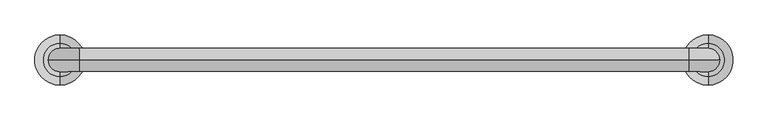
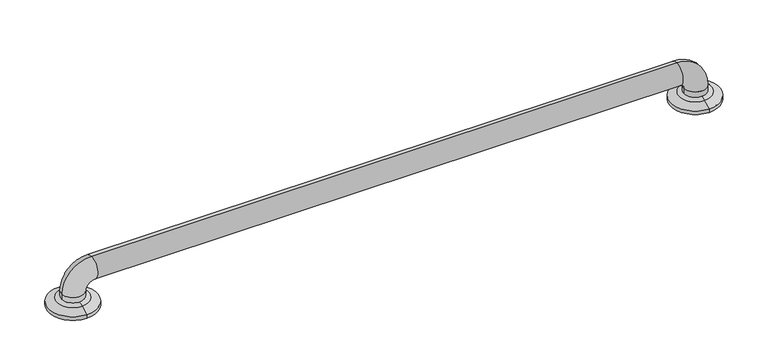
"""IFC4 building model written with IfcOpenShell, lengths in millimetres: proxy geometry."""

from ifc_helpers import new_model, si_unit, point, frame, origin, place, context, project, spatial, polyline, circle_curve, ellipse_curve, trimmed, source, transform, mapped, element, save
from ifc_brep_helpers import plane_surface, cylinder_surface, revolved_surface, advanced_brep


def specialty_equipment_cd5c3015(model_context):
    return source(origin(), model_context, "Body", "AdvancedBrep", [
        advanced_brep(
        [(-477.8375, -564.1630987, 13.1934507), (-477.8375, -508.9869013, 13.1934507), (-477.8375, -495.3, 6.35), (-477.8375, -577.85, 6.35), (-477.8375, -555.625, 15.7178454), (-496.8875, -536.575, 15.7178454), (-477.8375, -517.525, 15.7178454), (-458.7875, -536.575, 15.7178454), (-477.8375, -577.85, 0.0), (-477.8375, -495.3, 0.0), (-477.8375, -517.525, 0.0), (-477.8375, -536.575, 0.0), (-477.8375, -555.625, 0.0), (-496.8875, -536.575, 25.4), (-458.7875, -536.575, 25.4), (-446.0875, -536.575, 76.2), (-446.0875, -536.575, 38.1), (557.2125, -536.575, 76.2), (557.2125, -536.575, 38.1), (608.0125, -536.575, 25.4), (569.9125, -536.575, 25.4), (588.9625, -577.85, 0.0), (588.9625, -495.3, 0.0), (608.0125, -536.575, 15.7178454), (588.9625, -517.525, 15.7178454), (569.9125, -536.575, 15.7178454), (588.9625, -555.625, 15.7178454), (588.9625, -564.1630987, 13.1934507), (588.9625, -508.9869013, 13.1934507), (588.9625, -495.3, 6.35), (588.9625, -577.85, 6.35)],
        [
            (0, 1, circle_curve(frame((-477.8375, -536.575, 13.1934507), z_axis=(0.0, 0.0, -1.0), x_axis=(0.0, 1.0, 0.0)), 27.5880987)),
            (1, 2),
            (2, 3, circle_curve(frame((-477.8375, -536.575, 6.35), z_axis=(0.0, 0.0, 1.0), x_axis=(0.0, 1.0, 0.0)), 41.275)),
            (3, 0),
            (1, 0, circle_curve(frame((-477.8375, -536.575, 13.1934507), z_axis=(0.0, 0.0, -1.0), x_axis=(0.0, 1.0, 0.0)), 27.5880987)),
            (3, 2, circle_curve(frame((-477.8375, -536.575, 6.35), z_axis=(0.0, 0.0, 1.0), x_axis=(0.0, 1.0, 0.0)), 41.275)),
            (0, 4, circle_curve(frame((-477.8375, -552.8038734, -9.525), z_axis=(-1.0, 0.0, 0.0), x_axis=(0.0, 0.0, -1.0)), 25.4)),
            (4, 5, circle_curve(frame((-477.8375, -536.575, 15.7178454), z_axis=(0.0, 0.0, -1.0), x_axis=(0.0, 1.0, 0.0)), 19.05)),
            (5, 6, circle_curve(frame((-477.8375, -536.575, 15.7178454), z_axis=(0.0, 0.0, -1.0), x_axis=(0.0, 1.0, 0.0)), 19.05)),
            (6, 1, circle_curve(frame((-477.8375, -520.3461266, -9.525), z_axis=(-1.0, 0.0, 0.0), x_axis=(0.0, 0.0, -1.0)), 25.4)),
            (6, 7, circle_curve(frame((-477.8375, -536.575, 15.7178454), z_axis=(0.0, 0.0, -1.0), x_axis=(0.0, 1.0, 0.0)), 19.05)),
            (7, 4, circle_curve(frame((-477.8375, -536.575, 15.7178454), z_axis=(0.0, 0.0, -1.0), x_axis=(0.0, 1.0, 0.0)), 19.05)),
            (8, 9, circle_curve(frame((-477.8375, -536.575, 0.0), z_axis=(0.0, 0.0, -1.0), x_axis=(0.0, 1.0, 0.0)), 41.275)),
            (9, 10),
            (10, 11),
            (11, 12),
            (12, 8),
            (9, 8, circle_curve(frame((-477.8375, -536.575, 0.0), z_axis=(0.0, 0.0, -1.0), x_axis=(0.0, 1.0, 0.0)), 41.275)),
            (2, 9),
            (8, 3),
            (13, 14, circle_curve(frame((-477.8375, -536.575, 25.4), z_axis=(0.0, 0.0, -1.0), x_axis=(1.0, 0.0, 0.0)), 19.05)),
            (14, 7),
            (5, 13),
            (14, 13, circle_curve(frame((-477.8375, -536.575, 25.4), z_axis=(0.0, 0.0, -1.0), x_axis=(1.0, 0.0, 0.0)), 19.05)),
            (13, 15, circle_curve(frame((-446.0875, -536.575, 25.4), z_axis=(0.0, 1.0, 0.0), x_axis=(-1.0, 0.0, 0.0)), 50.8)),
            (15, 16, circle_curve(frame((-446.0875, -536.575, 57.15), z_axis=(-1.0, 0.0, 0.0), x_axis=(0.0, 0.0, -1.0)), 19.05)),
            (16, 14, circle_curve(frame((-446.0875, -536.575, 25.4), z_axis=(0.0, -1.0, 0.0), x_axis=(-1.0, 0.0, 0.0)), 12.7)),
            (16, 15, circle_curve(frame((-446.0875, -536.575, 57.15), z_axis=(-1.0, 0.0, 0.0), x_axis=(0.0, 0.0, -1.0)), 19.05)),
            (15, 17),
            (17, 18, circle_curve(frame((557.2125, -536.575, 57.15), z_axis=(-1.0, 0.0, 0.0), x_axis=(0.0, 0.0, -1.0)), 19.05)),
            (18, 16),
            (18, 17, circle_curve(frame((557.2125, -536.575, 57.15), z_axis=(-1.0, 0.0, 0.0), x_axis=(0.0, 0.0, -1.0)), 19.05)),
            (17, 19, circle_curve(frame((557.2125, -536.575, 25.4), z_axis=(0.0, 1.0, 0.0), x_axis=(0.0, 0.0, 1.0)), 50.8)),
            (19, 20, circle_curve(frame((588.9625, -536.575, 25.4), z_axis=(0.0, 0.0, 1.0), x_axis=(-1.0, 0.0, 0.0)), 19.05)),
            (20, 18, circle_curve(frame((557.2125, -536.575, 25.4), z_axis=(0.0, -1.0, 0.0), x_axis=(0.0, 0.0, 1.0)), 12.7)),
            (20, 19, circle_curve(frame((588.9625, -536.575, 25.4), z_axis=(0.0, 0.0, 1.0), x_axis=(-1.0, 0.0, 0.0)), 19.05)),
            (21, 22, circle_curve(frame((588.9625, -536.575, 0.0), z_axis=(0.0, 0.0, -1.0), x_axis=(0.0, 1.0, 0.0)), 41.275)),
            (22, 21, circle_curve(frame((588.9625, -536.575, 0.0), z_axis=(0.0, 0.0, -1.0), x_axis=(0.0, 1.0, 0.0)), 41.275)),
            (19, 23),
            (23, 24, circle_curve(frame((588.9625, -536.575, 15.7178454), z_axis=(0.0, 0.0, 1.0), x_axis=(-1.0, 0.0, 0.0)), 19.05)),
            (24, 25, circle_curve(frame((588.9625, -536.575, 15.7178454), z_axis=(0.0, 0.0, 1.0), x_axis=(-1.0, 0.0, 0.0)), 19.05)),
            (25, 20),
            (25, 26, circle_curve(frame((588.9625, -536.575, 15.7178454), z_axis=(0.0, 0.0, 1.0), x_axis=(-1.0, 0.0, 0.0)), 19.05)),
            (26, 23, circle_curve(frame((588.9625, -536.575, 15.7178454), z_axis=(0.0, 0.0, 1.0), x_axis=(-1.0, 0.0, 0.0)), 19.05)),
            (27, 28, circle_curve(frame((588.9625, -536.575, 13.1934507), z_axis=(0.0, 0.0, -1.0), x_axis=(0.0, 1.0, 0.0)), 27.5880987)),
            (28, 29),
            (29, 30, circle_curve(frame((588.9625, -536.575, 6.35), z_axis=(0.0, 0.0, 1.0), x_axis=(0.0, 1.0, 0.0)), 41.275)),
            (30, 27),
            (28, 27, circle_curve(frame((588.9625, -536.575, 13.1934507), z_axis=(0.0, 0.0, -1.0), x_axis=(0.0, 1.0, 0.0)), 27.5880987)),
            (30, 29, circle_curve(frame((588.9625, -536.575, 6.35), z_axis=(0.0, 0.0, 1.0), x_axis=(0.0, 1.0, 0.0)), 41.275)),
            (27, 26, circle_curve(frame((588.9625, -552.8038734, -9.525), z_axis=(-1.0, 0.0, 0.0), x_axis=(0.0, 0.0, -1.0)), 25.4)),
            (24, 28, circle_curve(frame((588.9625, -520.3461266, -9.525), z_axis=(-1.0, 0.0, 0.0), x_axis=(0.0, 0.0, -1.0)), 25.4)),
            (29, 22),
            (21, 30),
        ],
        [
            revolved_surface(polyline([(-477.8375, -495.3, 6.35), (-477.8375, -508.9869013, 13.1934507)]), (-477.8375, -536.575, 31.75), (0.0, 0.0, 1.0)),
            revolved_surface(trimmed(ellipse_curve(frame((-477.8375, -520.3461266, -9.525), z_axis=(1.0, 0.0, 0.0), x_axis=(0.0, 0.0, -1.0)), 25.4, 25.4), [point((-477.8375, -508.9869013, 13.1934507))], [point((-477.8375, -520.3461266, 15.875))], True, "CARTESIAN"), (-477.8375, -536.575, 31.75), (0.0, 0.0, 1.0)),
            plane_surface(frame((-477.8375, -536.575, 0.0), z_axis=(0.0, 0.0, -1.0), x_axis=(0.0, 1.0, 0.0))),
            cylinder_surface(frame((-477.8375, -536.575, 31.75), z_axis=(0.0, 0.0, 1.0), x_axis=(0.0, 1.0, 0.0)), 41.275),
            cylinder_surface(frame((-477.8375, -536.575, 0.0), z_axis=(0.0, 0.0, -1.0), x_axis=(1.0, 0.0, 0.0)), 19.05),
            revolved_surface(trimmed(ellipse_curve(frame((-477.8375, -536.575, 25.4), z_axis=(0.0, 0.0, -1.0), x_axis=(1.0, 0.0, 0.0)), 19.05, 19.05), [point((-496.8875, -536.575, 25.4))], [point((-458.7875, -536.575, 25.4))], True, "CARTESIAN"), (-446.0875, -536.575, 25.4), (0.0, 1.0, 0.0)),
            revolved_surface(trimmed(ellipse_curve(frame((-477.8375, -536.575, 25.4), z_axis=(0.0, 0.0, -1.0), x_axis=(1.0, 0.0, 0.0)), 19.05, 19.05), [point((-458.7875, -536.575, 25.4))], [point((-496.8875, -536.575, 25.4))], True, "CARTESIAN"), (-446.0875, -536.575, 25.4), (0.0, 1.0, 0.0)),
            cylinder_surface(frame((-446.0875, -536.575, 57.15), z_axis=(-1.0, 0.0, 0.0), x_axis=(0.0, 0.0, -1.0)), 19.05),
            revolved_surface(trimmed(ellipse_curve(frame((557.2125, -536.575, 57.15), z_axis=(-1.0, 0.0, 0.0), x_axis=(0.0, 0.0, -1.0)), 19.05, 19.05), [point((557.2125, -536.575, 76.2))], [point((557.2125, -536.575, 38.1))], True, "CARTESIAN"), (557.2125, -536.575, 25.4), (0.0, 1.0, 0.0)),
            revolved_surface(trimmed(ellipse_curve(frame((557.2125, -536.575, 57.15), z_axis=(-1.0, 0.0, 0.0), x_axis=(0.0, 0.0, -1.0)), 19.05, 19.05), [point((557.2125, -536.575, 38.1))], [point((557.2125, -536.575, 76.2))], True, "CARTESIAN"), (557.2125, -536.575, 25.4), (0.0, 1.0, 0.0)),
            plane_surface(frame((588.9625, -536.575, 0.0), z_axis=(0.0, 0.0, -1.0), x_axis=(0.0, 1.0, 0.0))),
            cylinder_surface(frame((588.9625, -536.575, 25.4), z_axis=(0.0, 0.0, 1.0), x_axis=(-1.0, 0.0, 0.0)), 19.05),
            revolved_surface(polyline([(588.9625, -495.3, 6.35), (588.9625, -508.9869013, 13.1934507)]), (588.9625, -536.575, -29.0642853), (0.0, 0.0, 1.0)),
            revolved_surface(trimmed(ellipse_curve(frame((588.9625, -520.3461266, -9.525), z_axis=(1.0, 0.0, 0.0), x_axis=(0.0, 0.0, -1.0)), 25.4, 25.4), [point((588.9625, -508.9869013, 13.1934507))], [point((588.9625, -520.3461266, 15.875))], True, "CARTESIAN"), (588.9625, -536.575, -29.0642853), (0.0, 0.0, 1.0)),
            cylinder_surface(frame((588.9625, -536.575, -29.0642853), z_axis=(0.0, 0.0, 1.0), x_axis=(0.0, 1.0, 0.0)), 41.275),
        ],
        [
            (0, [[1, 2, 3, 4]]),
            (0, [[-2, 5, -4, 6]]),
            (1, [[-1, 7, 8, 9, 10]]),
            (1, [[-5, -10, 11, 12, -7]]),
            (2, [[13, 14, 15, 16, 17]]),
            (2, [[18, -17, -16, -15, -14]]),
            (3, [[-3, 19, -13, 20]]),
            (3, [[-6, -20, -18, -19]]),
            (4, [[21, 22, -11, -9, 23]]),
            (4, [[24, -23, -8, -12, -22]]),
            (5, [[-21, 25, 26, 27]]),
            (6, [[-24, -27, 28, -25]]),
            (7, [[-26, 29, 30, 31]]),
            (7, [[-28, -31, 32, -29]]),
            (8, [[-30, 33, 34, 35]]),
            (9, [[-32, -35, 36, -33]]),
            (10, [[37, 38]]),
            (11, [[-34, 39, 40, 41, 42]]),
            (11, [[-36, -42, 43, 44, -39]]),
            (12, [[45, 46, 47, 48]]),
            (12, [[-46, 49, -48, 50]]),
            (13, [[-45, 51, -43, -41, 52]]),
            (13, [[-49, -52, -40, -44, -51]]),
            (14, [[-47, 53, -37, 54]]),
            (14, [[-50, -54, -38, -53]]),
        ],
    ),
    ])


if __name__ == "__main__":
    model = new_model("IFC4")
    model_context = context("Model", 3, world=origin())
    ifc_project = project(units=[si_unit("LENGTHUNIT", "METRE", prefix="MILLI")], contexts=[model_context])
    site = spatial("IfcSite", under=ifc_project)
    building = spatial("IfcBuilding", under=site)
    placement = place(None, origin())
    specialty_equipment_shape = specialty_equipment_cd5c3015(model_context)
    element("IfcBuildingElementProxy", 1, Name="Specialty Equipment", at=placement, inside=building, context=model_context, shape_type="MappedRepresentation", body=[
        mapped(specialty_equipment_shape, transform((0.0, 0.0, 0.0), x_axis=(1.0, 0.0, 0.0), y_axis=(0.0, 1.0, 0.0), z_axis=(0.0, 0.0, 1.0))),
    ])
    save(model, "model.ifc")
